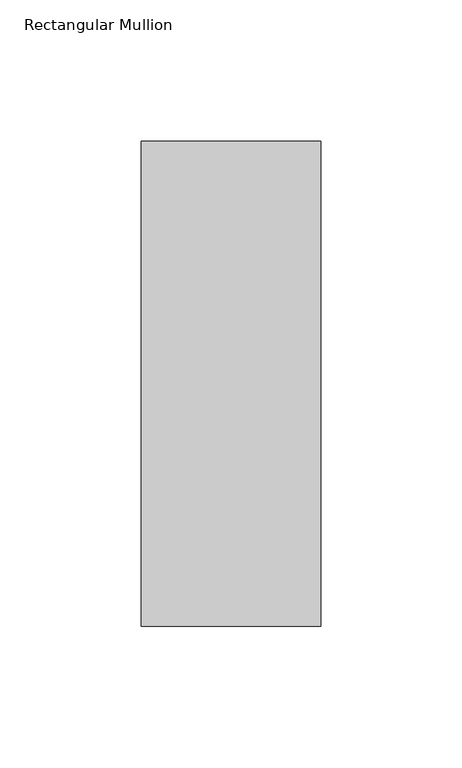
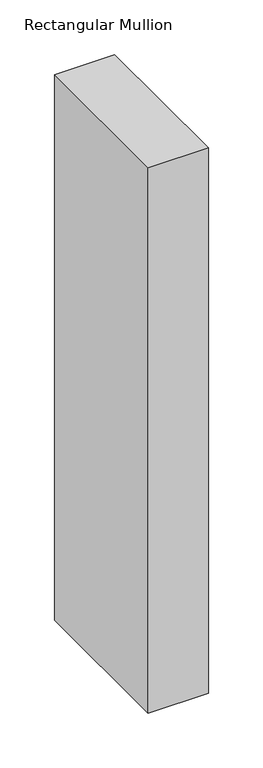
"""IFC4 building model written with IfcOpenShell, lengths in millimetres: member geometry, Rectangular Mullion."""

from ifc_helpers import new_model, si_unit, frame, origin, place, context, project, spatial, polyline, outline, extrude, source, transform, mapped, element, save


def rectangular_mullion_e7563978(model_context):
    return source(origin(), model_context, "Body", "SweptSolid", [
        extrude(outline(polyline([(-1e-07, 222.5381312), (-1e-07, 50.8091913), (-63.4999996, 50.8091913), (-63.4999996, 222.5381312), (-1e-07, 222.5381312)])), frame((0.0, 0.0, -609.6), z_axis=(0.0, 0.0, 1.0), x_axis=(1.0, 0.0, 0.0)), (0.0, 0.0, 1.0), 609.6),
    ])


if __name__ == "__main__":
    model = new_model("IFC4")
    model_context = context("Model", 3, world=origin())
    ifc_project = project(units=[si_unit("LENGTHUNIT", "METRE", prefix="MILLI")], contexts=[model_context])
    site = spatial("IfcSite", under=ifc_project)
    building = spatial("IfcBuilding", under=site)
    placement = place(None, origin())
    rectangular_mullion_shape = rectangular_mullion_e7563978(model_context)
    element("IfcMember", 1, ObjectType="Rectangular Mullion", at=placement, inside=building, context=model_context, shape_type="MappedRepresentation", body=[
        mapped(rectangular_mullion_shape, transform((0.0, 0.0, 0.0), x_axis=(1.0, 0.0, 0.0), y_axis=(0.0, 1.0, 0.0), z_axis=(0.0, 0.0, 1.0))),
    ])
    save(model, "model.ifc")
